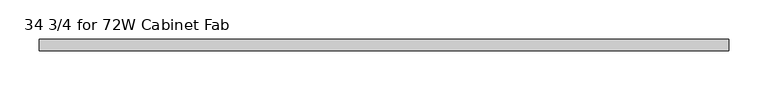
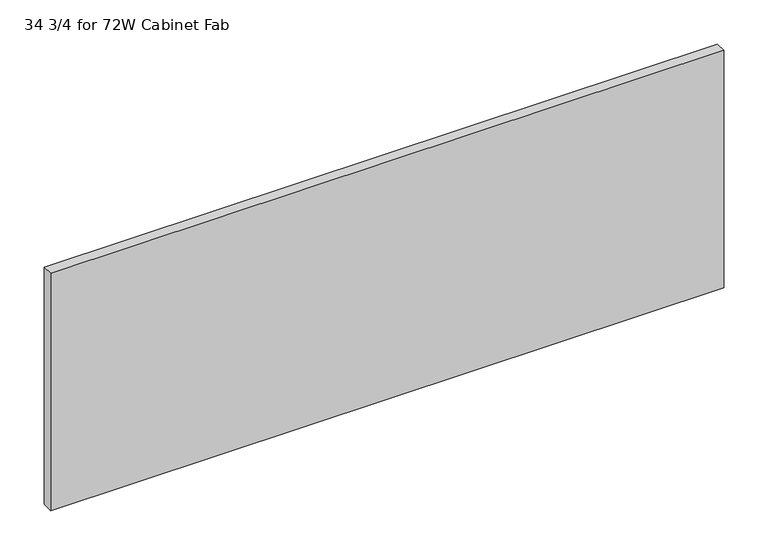
"""IFC4 building model written with IfcOpenShell, lengths in millimetres: furniture geometry, 34 3/4 for 72W Cabinet Fab."""

from ifc_helpers import new_model, si_unit, frame, origin, place, context, project, spatial, polyline, outline, extrude, source, transform, mapped, element, save


def furniture_34_3_4_for_72w_cabinet_fab_7a654fc9(model_context):
    return source(origin(), model_context, "Body", "SweptSolid", [
        extrude(outline(polyline([(441.325, -33.8601849), (441.325, -48.5445599), (-441.325, -48.5445599), (-441.325, -33.8601849), (441.325, -33.8601849)])), frame((0.0, 0.0, 1181.1), z_axis=(0.0, 0.0, 1.0), x_axis=(1.0, 0.0, 0.0)), (0.0, 0.0, 1.0), 328.9101562),
    ])


if __name__ == "__main__":
    model = new_model("IFC4")
    model_context = context("Model", 3, world=origin())
    ifc_project = project(units=[si_unit("LENGTHUNIT", "METRE", prefix="MILLI")], contexts=[model_context])
    site = spatial("IfcSite", under=ifc_project)
    building = spatial("IfcBuilding", under=site)
    placement = place(None, origin())
    furniture_34_3_4_for_72w_cabinet_fab_shape = furniture_34_3_4_for_72w_cabinet_fab_7a654fc9(model_context)
    element("IfcFurniture", 1, ObjectType="34 3/4 for 72W Cabinet Fab", at=placement, inside=building, context=model_context, shape_type="MappedRepresentation", body=[
        mapped(furniture_34_3_4_for_72w_cabinet_fab_shape, transform((0.0, 0.0, 0.0), x_axis=(1.0, 0.0, 0.0), y_axis=(0.0, 1.0, 0.0), z_axis=(0.0, 0.0, 1.0))),
    ])
    save(model, "model.ifc")
